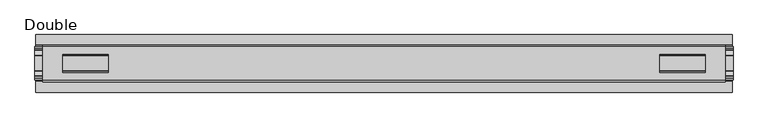
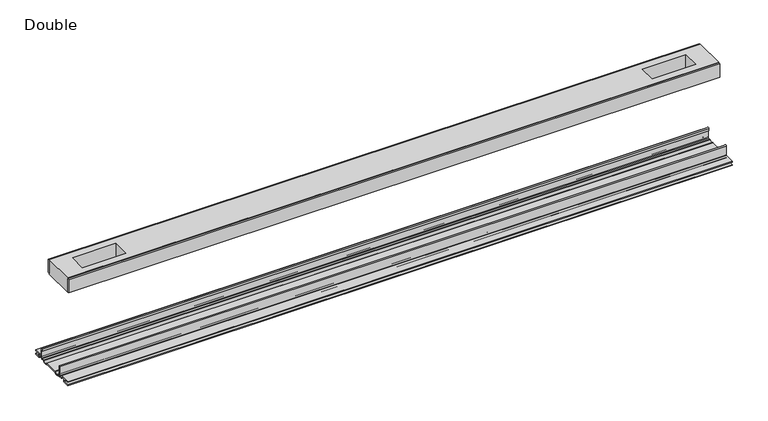
"""IFC4 building model written with IfcOpenShell, lengths in millimetres: proxy geometry, Double."""

from ifc_helpers import new_model, si_unit, point, frame, frame_2d, origin, place, context, project, spatial, polyline, circle_curve, trimmed, segment, composite_curve, outline, extrude, source, transform, mapped, element, save


def double_8838e71f(model_context):
    return source(origin(), model_context, "Body", "SweptSolid", [
        extrude(outline(polyline([(593.6615091, -29.0068005), (593.6615091, -32.1817997), (-593.6615091, -32.1817997), (-593.6615091, -29.0068005), (593.6615091, -29.0068005)])), frame((0.0, 0.0, 149.8401622), z_axis=(0.0, 0.0, 1.0), x_axis=(1.0, 0.0, 0.0)), (0.0, 0.0, 1.0), 25.3999939),
        extrude(outline(polyline([(593.6615091, 32.1817997), (593.6615091, 29.0068005), (-593.6615091, 29.0068005), (-593.6615091, 32.1817997), (593.6615091, 32.1817997)])), frame((0.0, 0.0, 149.8401622), z_axis=(0.0, 0.0, 1.0), x_axis=(1.0, 0.0, 0.0)), (0.0, 0.0, 1.0), 25.3999939),
        extrude(outline(polyline([(593.6615091, 29.0068005), (593.6615091, -29.0068005), (-593.6615091, -29.0068005), (-593.6615091, 29.0068005), (593.6615091, 29.0068005)]), holes=[polyline([(559.2444965, 15.1130038), (480.1996847, 15.1130038), (480.1996847, -15.875003), (559.2444965, -15.875003), (559.2444965, 15.1130038)]), polyline([(-559.2444965, 15.1130038), (-559.2444965, -15.875003), (-480.1996847, -15.875003), (-480.1996847, 15.1130038), (-559.2444965, 15.1130038)])]), frame((0.0, 0.0, 148.4185847), z_axis=(0.0, 0.0, 1.0), x_axis=(1.0, 0.0, 0.0)), (0.0, 0.0, 1.0), 27.9999988),
        extrude(outline(composite_curve([segment(polyline([(-28.8162961, -7.7516037), (-28.8162961, 9.8607558)]), True, "CONTINUOUS"), segment(trimmed(circle_curve(frame_2d((-27.5970982, 9.8607558)), 1.2191979), [point((-28.8162961, 9.8607558))], [point((-26.3779003, 9.8607558))], False, "CARTESIAN"), True, "CONTINUOUS"), segment(polyline([(-26.3779003, 9.8607558), (-26.3779003, 5.9999563), (-27.6580769, 5.9999563), (-27.6580769, -7.7516037)]), True, "CONTINUOUS"), segment(trimmed(circle_curve(frame_2d((-26.6420561, -7.7516037)), 1.0160208), [point((-27.6580769, -7.7516037))], [point((-26.6485732, -8.7676036))], True, "CARTESIAN"), True, "CONTINUOUS"), segment(polyline([(-26.6485732, -8.7676036), (-22.7056226, -8.7676036), (-21.7922609, -8.968753)]), True, "CONTINUOUS"), segment(trimmed(circle_curve(frame_2d((-17.7673021, -6.1259382)), 4.9276657), [point((-21.7922609, -8.968753))], [point((-13.7423434, -8.968753))], True, "CARTESIAN"), True, "CONTINUOUS"), segment(polyline([(-13.7423434, -8.968753), (-12.8289726, -8.7676036), (13.2099722, -8.7676036), (14.123343, -8.968753)]), True, "CONTINUOUS"), segment(trimmed(circle_curve(frame_2d((18.1483018, -6.1259382)), 4.9276657), [point((14.123343, -8.968753))], [point((22.1732605, -8.968753))], True, "CARTESIAN"), True, "CONTINUOUS"), segment(polyline([(22.1732605, -8.968753), (23.0866222, -8.7676036), (27.0295728, -8.7676036)]), True, "CONTINUOUS"), segment(trimmed(circle_curve(frame_2d((27.0230557, -7.7516037)), 1.0160208), [point((27.0295728, -8.7676036))], [point((28.0390765, -7.7516037))], True, "CARTESIAN"), True, "CONTINUOUS"), segment(polyline([(28.0390765, -7.7516037), (28.0390765, 5.9999563), (26.7588999, 5.9999563), (26.7588999, 9.8607558)]), True, "CONTINUOUS"), segment(trimmed(circle_curve(frame_2d((27.9780978, 9.8607558)), 1.2191979), [point((26.7588999, 9.8607558))], [point((29.1972958, 9.8607558))], False, "CARTESIAN"), True, "CONTINUOUS"), segment(polyline([(29.1972958, 9.8607558), (29.1972958, -7.7516037)]), True, "CONTINUOUS"), segment(trimmed(circle_curve(frame_2d((27.0230557, -7.7516037)), 2.17424), [point((29.1972958, -7.7516037))], [point((27.0230557, -9.9258438))], False, "CARTESIAN"), True, "CONTINUOUS"), segment(polyline([(27.0230557, -9.9258438), (22.732069, -9.9258438)]), True, "CONTINUOUS"), segment(trimmed(circle_curve(frame_2d((18.1516545, -6.4800016)), 5.7318431), [point((22.732069, -9.9258438))], [point((13.57124, -9.9258438))], False, "CARTESIAN"), True, "CONTINUOUS"), segment(polyline([(13.57124, -9.9258438), (-13.1902404, -9.9258438)]), True, "CONTINUOUS"), segment(trimmed(circle_curve(frame_2d((-17.7706549, -6.4800016)), 5.7318431), [point((-13.1902404, -9.9258438))], [point((-22.3510694, -9.9258438))], False, "CARTESIAN"), True, "CONTINUOUS"), segment(polyline([(-22.3510694, -9.9258438), (-26.6420561, -9.9258438)]), True, "CONTINUOUS"), segment(trimmed(circle_curve(frame_2d((-26.6420561, -7.7516037)), 2.17424), [point((-26.6420561, -9.9258438))], [point((-28.8162961, -7.7516037))], False, "CARTESIAN"), True, "CONTINUOUS")], self_intersect=False)), frame((-607.7204, 0.0, 0.0), z_axis=(1.0, 0.0, 0.0), x_axis=(0.0, 1.0, 0.0)), (0.0, 0.0, 1.0), 1215.4408),
        extrude(outline(composite_curve([segment(polyline([(-50.2668422, -13.9898438), (-50.2240211, -12.3388438), (-39.7827507, -12.3388438), (-39.7827507, -7.766844), (-50.2240211, -7.766844), (-50.2668422, -6.1158439), (-31.1784975, -6.1158439)]), True, "CONTINUOUS"), segment(trimmed(circle_curve(frame_2d((-31.1784975, -7.6398436)), 1.5239997), [point((-31.1784975, -6.1158439))], [point((-29.6544978, -7.6398436))], False, "CARTESIAN"), True, "CONTINUOUS"), segment(polyline([(-29.6544978, -7.6398436), (-29.6544978, -9.9258438), (-23.1058344, -9.9258438)]), True, "CONTINUOUS"), segment(trimmed(circle_curve(frame_2d((-17.7673021, -5.2268471)), 7.1119966), [point((-23.1058344, -9.9258438))], [point((-12.4287699, -9.9258438))], True, "CARTESIAN"), True, "CONTINUOUS"), segment(polyline([(-12.4287699, -9.9258438), (12.8097695, -9.9258438)]), True, "CONTINUOUS"), segment(trimmed(circle_curve(frame_2d((18.1483018, -5.2268471)), 7.1119966), [point((12.8097695, -9.9258438))], [point((23.486834, -9.9258438))], True, "CARTESIAN"), True, "CONTINUOUS"), segment(polyline([(23.486834, -9.9258438), (30.0354975, -9.9258438), (30.0354975, -7.7656583)]), True, "CONTINUOUS"), segment(trimmed(circle_curve(frame_2d((31.6864982, -7.7656583)), 1.6510007), [point((30.0354975, -7.7656583))], [point((31.6239218, -6.1158439))], False, "CARTESIAN"), True, "CONTINUOUS"), segment(polyline([(31.6239218, -6.1158439), (50.00625, -6.1158439), (50.00625, -7.766844), (40.1637503, -7.766844), (40.1637503, -12.3388438), (50.00625, -12.3388438), (50.00625, -13.9898438), (40.0367518, -13.9898438)]), True, "CONTINUOUS"), segment(trimmed(circle_curve(frame_2d((40.0367518, -12.4658438)), 1.524), [point((40.0367518, -13.9898438))], [point((38.5127519, -12.4658438))], False, "CARTESIAN"), True, "CONTINUOUS"), segment(polyline([(38.5127519, -12.4658438), (38.5127519, -7.766844), (31.686497, -7.766844), (31.686497, -10.0528438)]), True, "CONTINUOUS"), segment(trimmed(circle_curve(frame_2d((30.1624971, -10.0528438)), 1.524), [point((31.686497, -10.0528438))], [point((30.1624971, -11.5768438))], False, "CARTESIAN"), True, "CONTINUOUS"), segment(polyline([(30.1624971, -11.5768438), (23.6563549, -11.5768438)]), True, "CONTINUOUS"), segment(trimmed(circle_curve(frame_2d((18.1483018, -6.4968436)), 7.4930002), [point((23.6563549, -11.5768438))], [point((12.8904968, -11.8354331))], False, "CARTESIAN"), True, "CONTINUOUS"), segment(polyline([(12.8904968, -11.8354331), (-12.5094972, -11.8354331)]), True, "CONTINUOUS"), segment(trimmed(circle_curve(frame_2d((-17.7673021, -6.4968436)), 7.4930002), [point((-12.5094972, -11.8354331))], [point((-23.2753553, -11.5768438))], False, "CARTESIAN"), True, "CONTINUOUS"), segment(polyline([(-23.2753553, -11.5768438), (-29.7814974, -11.5768438)]), True, "CONTINUOUS"), segment(trimmed(circle_curve(frame_2d((-29.7814974, -10.0528438)), 1.524), [point((-29.7814974, -11.5768438))], [point((-31.3054974, -10.0528438))], False, "CARTESIAN"), True, "CONTINUOUS"), segment(polyline([(-31.3054974, -10.0528438), (-31.3054974, -7.766844), (-38.1317522, -7.766844), (-38.1317522, -12.4658438)]), True, "CONTINUOUS"), segment(trimmed(circle_curve(frame_2d((-39.6557522, -12.4658438)), 1.524), [point((-38.1317522, -12.4658438))], [point((-39.6557522, -13.9898438))], False, "CARTESIAN"), True, "CONTINUOUS"), segment(polyline([(-39.6557522, -13.9898438), (-50.2668422, -13.9898438)]), True, "CONTINUOUS")], self_intersect=False)), frame((-606.0694, 0.0, 0.0), z_axis=(1.0, 0.0, 0.0), x_axis=(0.0, 1.0, 0.0)), (0.0, 0.0, 1.0), 1212.1388),
    ])


if __name__ == "__main__":
    model = new_model("IFC4")
    model_context = context("Model", 3, world=origin())
    ifc_project = project(units=[si_unit("LENGTHUNIT", "METRE", prefix="MILLI")], contexts=[model_context])
    site = spatial("IfcSite", under=ifc_project)
    building = spatial("IfcBuilding", under=site)
    placement = place(None, origin())
    double_shape = double_8838e71f(model_context)
    element("IfcBuildingElementProxy", 1, Name="Double", ObjectType="Double", at=placement, inside=building, context=model_context, shape_type="MappedRepresentation", body=[
        mapped(double_shape, transform((0.0, 0.0, 0.0), x_axis=(1.0, 0.0, 0.0), y_axis=(0.0, 1.0, 0.0), z_axis=(0.0, 0.0, 1.0))),
    ])
    save(model, "model.ifc")
